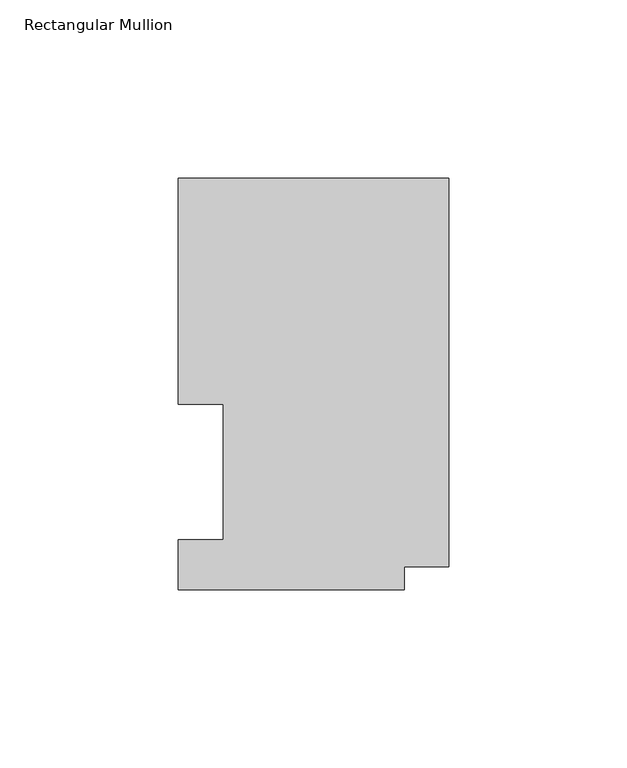
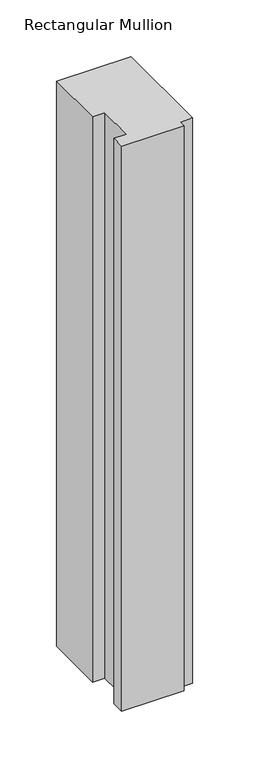
"""IFC4 building model written with IfcOpenShell, lengths in millimetres: member geometry, Rectangular Mullion."""

from ifc_helpers import new_model, si_unit, frame, origin, place, context, project, spatial, polyline, outline, extrude, source, transform, mapped, element, save


def rectangular_mullion_cf01bbdc(model_context):
    return source(origin(), model_context, "Body", "SweptSolid", [
        extrude(outline(polyline([(-76.0222, 116.0859375), (0.0, 116.0859375), (0.0, 6.8817476), (-12.5262802, 6.8817476), (-12.5262802, 0.5159375), (-76.0262802, 0.5159375), (-76.0262802, 14.4879053), (-63.3262802, 14.4879053), (-63.3262802, 52.5859375), (-76.0222, 52.5859375), (-76.0222, 116.0859375)])), frame((0.0, 0.0, -609.6), z_axis=(0.0, 0.0, 1.0), x_axis=(1.0, 0.0, 0.0)), (0.0, 0.0, 1.0), 609.6),
    ])


if __name__ == "__main__":
    model = new_model("IFC4")
    model_context = context("Model", 3, world=origin())
    ifc_project = project(units=[si_unit("LENGTHUNIT", "METRE", prefix="MILLI")], contexts=[model_context])
    site = spatial("IfcSite", under=ifc_project)
    building = spatial("IfcBuilding", under=site)
    placement = place(None, origin())
    rectangular_mullion_shape = rectangular_mullion_cf01bbdc(model_context)
    element("IfcMember", 1, ObjectType="Rectangular Mullion", at=placement, inside=building, context=model_context, shape_type="MappedRepresentation", body=[
        mapped(rectangular_mullion_shape, transform((0.0, 0.0, 0.0), x_axis=(1.0, 0.0, 0.0), y_axis=(0.0, 1.0, 0.0), z_axis=(0.0, 0.0, 1.0))),
    ])
    save(model, "model.ifc")
